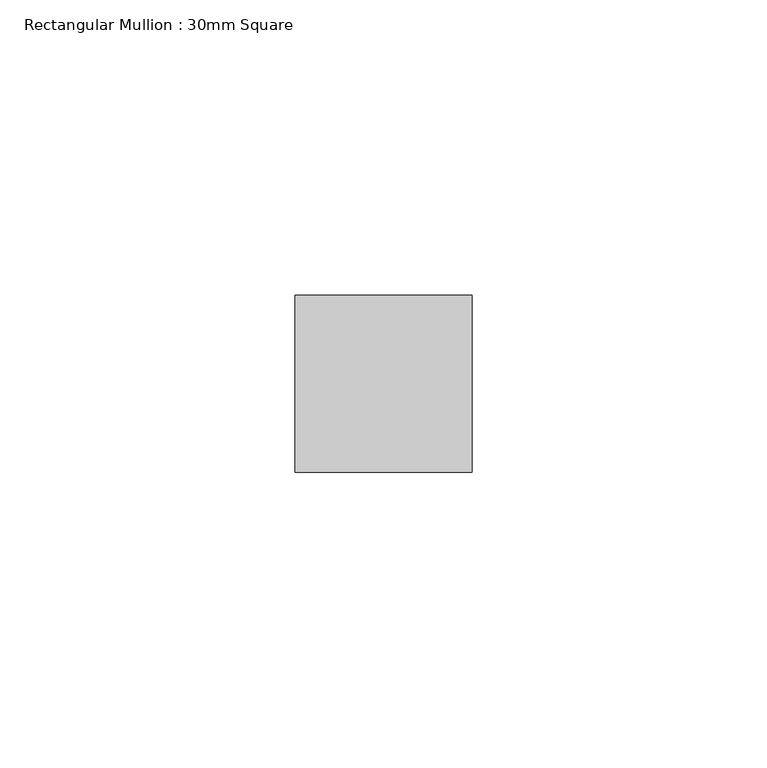
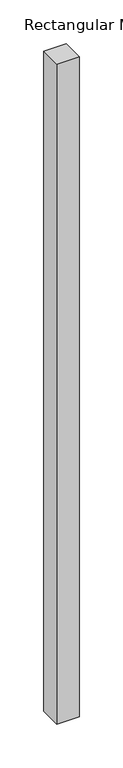
"""IFC4 building model written with IfcOpenShell, lengths in millimetres: member geometry, Rectangular Mullion : 30mm Square."""

from ifc_helpers import new_model, si_unit, frame, origin, place, context, project, spatial, polyline, outline, extrude, source, transform, mapped, element, save


def rectangular_mullion_30mm_square_e7f0abe1(model_context):
    return source(origin(), model_context, "Body", "SweptSolid", [
        extrude(outline(polyline([(0.0, 15.0), (0.0, -15.0), (-30.0, -15.0), (-30.0, 15.0), (0.0, 15.0)])), frame((0.0, 0.0, -925.7678036), z_axis=(0.0, 0.0, 1.0), x_axis=(1.0, 0.0, 0.0)), (0.0, 0.0, 1.0), 925.7678036),
    ])


if __name__ == "__main__":
    model = new_model("IFC4")
    model_context = context("Model", 3, world=origin())
    ifc_project = project(units=[si_unit("LENGTHUNIT", "METRE", prefix="MILLI")], contexts=[model_context])
    site = spatial("IfcSite", under=ifc_project)
    building = spatial("IfcBuilding", under=site)
    placement = place(None, origin())
    rectangular_mullion_30mm_square_shape = rectangular_mullion_30mm_square_e7f0abe1(model_context)
    element("IfcMember", 1, ObjectType="Rectangular Mullion : 30mm Square", at=placement, inside=building, context=model_context, shape_type="MappedRepresentation", body=[
        mapped(rectangular_mullion_30mm_square_shape, transform((0.0, 0.0, 0.0), x_axis=(1.0, 0.0, 0.0), y_axis=(0.0, 1.0, 0.0), z_axis=(0.0, 0.0, 1.0))),
    ])
    save(model, "model.ifc")
